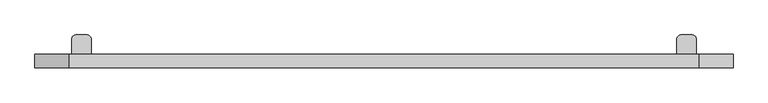
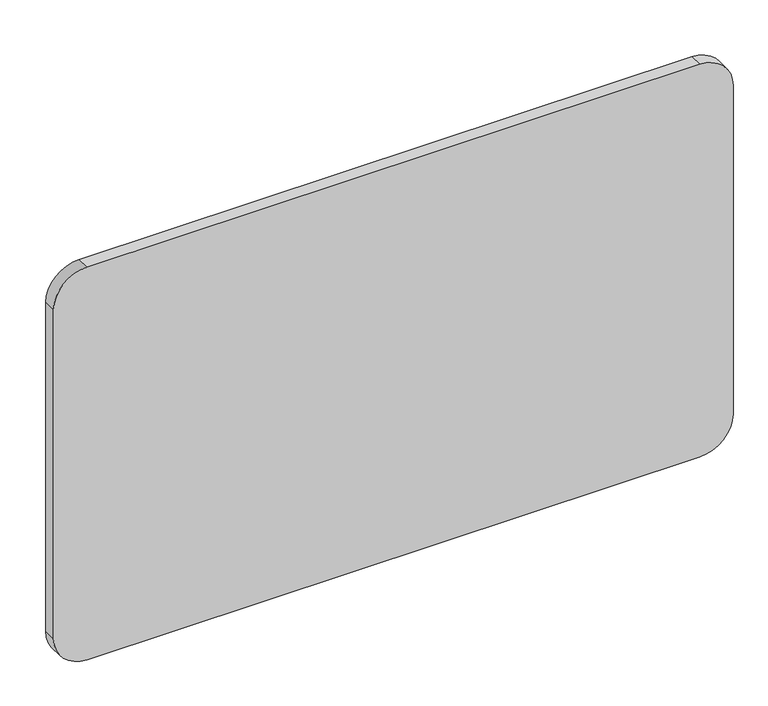
"""IFC4 building model written with IfcOpenShell, lengths in millimetres: furniture geometry."""

from ifc_helpers import new_model, si_unit, point, frame, frame_2d, origin, place, context, project, spatial, polyline, circle_curve, trimmed, segment, composite_curve, outline, extrude, source, transform, mapped, element, save
from ifc_brep_helpers import plane_surface, cylinder_surface, revolved_surface, advanced_brep


def furniture_f1be2f2b(model_context):
    return source(origin(), model_context, "Body", "SolidModel", [
        advanced_brep(
        [(1325.5425429, 47.5118173, 752.9985146), (1325.5425429, 44.45, 752.9985146), (1375.5425432, 44.45, 752.9985146), (1375.5425432, 47.5118173, 752.9985146), (1375.5425432, 47.5118173, 462.9546875), (1365.5425359, 47.5118173, 452.9984759), (1335.5425502, 47.5118173, 452.9984759), (1325.5425429, 47.5118173, 462.9984833), (1375.5425432, 44.45, 462.9546875), (1325.5425429, 44.45, 462.9546875), (1335.5425502, 44.45, 452.9984759), (1365.5425359, 44.45, 452.9984759)],
        [
            (0, 1),
            (1, 2),
            (2, 3),
            (3, 0),
            (3, 4),
            (4, 5, circle_curve(frame((1365.5425359, 47.5118173, 462.9984833), z_axis=(0.0, 1.0, 0.0), x_axis=(1.0, 0.0, 0.0)), 10.0000073)),
            (5, 6),
            (6, 7, circle_curve(frame((1335.5425502, 47.5118173, 462.9984833), z_axis=(0.0, 1.0, 0.0), x_axis=(1.0, 0.0, 0.0)), 10.0000073)),
            (7, 0),
            (2, 8),
            (8, 4),
            (1, 9),
            (9, 10, circle_curve(frame((1335.5425502, 44.45, 462.9984833), z_axis=(0.0, -1.0, 0.0), x_axis=(1.0, 0.0, 0.0)), 10.0000073)),
            (10, 11),
            (11, 8, circle_curve(frame((1365.5425359, 44.45, 462.9984833), z_axis=(0.0, -1.0, 0.0), x_axis=(1.0, 0.0, 0.0)), 10.0000073)),
            (7, 9),
            (6, 10),
            (5, 11),
        ],
        [
            plane_surface(frame((1325.5425429, 47.5118173, 752.9985146), z_axis=(0.0, 0.0, 1.0), x_axis=(0.0, -1.0, 0.0))),
            plane_surface(frame((1375.5425432, 47.5118173, 752.9985146), z_axis=(0.0, 1.0, 0.0), x_axis=(0.0, 0.0, -1.0))),
            plane_surface(frame((1375.5425432, 44.45, 752.9985146), z_axis=(1.0, 0.0, 0.0), x_axis=(0.0, 0.0, -1.0))),
            plane_surface(frame((1325.5425429, 44.45, 752.9985146), z_axis=(0.0, -1.0, 0.0), x_axis=(0.0, 0.0, -1.0))),
            plane_surface(frame((1325.5425429, 47.5118173, 752.9985146), z_axis=(-1.0, 0.0, 0.0), x_axis=(0.0, 0.0, -1.0))),
            cylinder_surface(frame((1335.5425502, 44.45, 462.9984833), z_axis=(0.0, 1.0, 0.0), x_axis=(1.0, 0.0, 0.0)), 10.0000073),
            plane_surface(frame((1365.5425359, 47.5118173, 452.9984759), z_axis=(0.0, 0.0, -1.0), x_axis=(0.0, -1.0, 0.0))),
            cylinder_surface(frame((1365.5425359, 44.45, 462.9984833), z_axis=(0.0, 1.0, 0.0), x_axis=(1.0, 0.0, 0.0)), 10.0000073),
        ],
        [
            (0, [[1, 2, 3, 4]]),
            (1, [[-4, 5, 6, 7, 8, 9]]),
            (2, [[-3, 10, 11, -5]]),
            (3, [[-2, 12, 13, 14, 15, -10]]),
            (4, [[-1, -9, 16, -12]]),
            (5, [[-8, 17, -13, -16]]),
            (6, [[-7, 18, -14, -17]]),
            (7, [[-6, -11, -15, -18]]),
        ],
    ),
        extrude(outline(composite_curve([segment(trimmed(circle_curve(frame_2d((1350.542543, 69.5118189)), 4.0000058), [point((1354.5425489, 69.5118189))], [point((1346.5425372, 69.5118189))], False, "CARTESIAN"), True, "CONTINUOUS"), segment(trimmed(circle_curve(frame_2d((1350.542543, 69.5118189)), 4.0000058), [point((1346.5425372, 69.5118189))], [point((1354.5425489, 69.5118189))], False, "CARTESIAN"), True, "CONTINUOUS")], self_intersect=False)), frame((0.0, 0.0, 689.9985083), z_axis=(0.0, 0.0, 1.0), x_axis=(1.0, 0.0, 0.0)), (0.0, 0.0, 1.0), 13.0000059),
        extrude(outline(composite_curve([segment(trimmed(circle_curve(frame_2d((1350.542543, 69.5118189)), 7.7753653), [point((1358.3179084, 69.5118189))], [point((1342.7671777, 69.5118189))], False, "CARTESIAN"), True, "CONTINUOUS"), segment(trimmed(circle_curve(frame_2d((1350.542543, 69.5118189)), 7.7753653), [point((1342.7671777, 69.5118189))], [point((1358.3179084, 69.5118189))], False, "CARTESIAN"), True, "CONTINUOUS")], self_intersect=False)), frame((0.0, 0.0, 702.9985142), z_axis=(0.0, 0.0, 1.0), x_axis=(1.0, 0.0, 0.0)), (0.0, 0.0, 1.0), 10.0000437),
        extrude(outline(composite_curve([segment(trimmed(circle_curve(frame_2d((1350.542543, 69.5118189)), 14.974039), [point((1365.5165821, 69.5118189))], [point((1335.568504, 69.5118189))], False, "CARTESIAN"), True, "CONTINUOUS"), segment(trimmed(circle_curve(frame_2d((1350.542543, 69.5118189)), 14.974039), [point((1335.568504, 69.5118189))], [point((1365.5165821, 69.5118189))], False, "CARTESIAN"), True, "CONTINUOUS")], self_intersect=False)), frame((0.0, 0.0, 718.7038782), z_axis=(0.0, 0.0, 1.0), x_axis=(1.0, 0.0, 0.0)), (0.0, 0.0, 1.0), 2.0950029),
        advanced_brep(
        [(1365.5165821, 69.5118189, 718.7038782), (1335.568504, 69.5118189, 718.7038782), (1354.5425489, 69.5118189, 715.9985201), (1346.5425372, 69.5118189, 715.9985201)],
        [
            (0, 1, circle_curve(frame((1350.542543, 69.5118189, 718.7038782), z_axis=(0.0, 0.0, 1.0), x_axis=(1.0, 0.0, 0.0)), 14.974039)),
            (1, 0, circle_curve(frame((1350.542543, 69.5118189, 718.7038782), z_axis=(0.0, 0.0, 1.0), x_axis=(-1.0, 0.0, 0.0)), 14.974039)),
            (2, 3, circle_curve(frame((1350.542543, 69.5118189, 715.9985201), z_axis=(0.0, 0.0, -1.0), x_axis=(-1.0, 0.0, 0.0)), 4.0000058)),
            (3, 2, circle_curve(frame((1350.542543, 69.5118189, 715.9985201), z_axis=(0.0, 0.0, -1.0), x_axis=(1.0, 0.0, 0.0)), 4.0000058)),
            (2, 0),
            (1, 3),
        ],
        [
            plane_surface(frame((1350.542543, 69.5118189, 718.7038782), z_axis=(0.0, 0.0, 1.0), x_axis=(0.0, 1.0, 0.0))),
            plane_surface(frame((1350.542543, 69.5118189, 715.9985201), z_axis=(0.0, 0.0, -1.0), x_axis=(0.0, 1.0, 0.0))),
            revolved_surface(polyline([(1354.5425488149297, 69.5118189, 715.9985201), (1365.5165821, 69.5118189, 718.7038782)]), (1350.542543, 69.5118189, 715.0124243), (0.0, 0.0, 1.0)),
            revolved_surface(polyline([(1346.5425372117832, 69.5118189, 715.9985201), (1335.568504, 69.5118189, 718.7038782)]), (1350.542543, 69.5118189, 715.0124243), (0.0, 0.0, 1.0)),
        ],
        [
            (0, [[1, 2]]),
            (1, [[3, 4]]),
            (2, [[-3, 5, -2, 6]]),
            (3, [[-4, -6, -1, -5]]),
        ],
    ),
        extrude(outline(composite_curve([segment(trimmed(circle_curve(frame_2d((1365.3401849, 84.3097802)), 10.2023583), [point((1365.3401849, 94.5121385))], [point((1375.5425432, 84.3097802))], False, "CARTESIAN"), True, "CONTINUOUS"), segment(polyline([(1375.5425432, 84.3097802), (1375.5425432, 47.5118173), (1325.5425429, 47.5118173), (1325.5425429, 84.324975)]), True, "CONTINUOUS"), segment(trimmed(circle_curve(frame_2d((1335.7297063, 84.324975)), 10.1871635), [point((1325.5425429, 84.324975))], [point((1335.7297063, 94.5121385))], False, "CARTESIAN"), True, "CONTINUOUS"), segment(polyline([(1335.7297063, 94.5121385), (1365.3401849, 94.5121385)]), True, "CONTINUOUS")], self_intersect=False)), frame((0.0, 0.0, 712.9985579), z_axis=(0.0, 0.0, 1.0), x_axis=(1.0, 0.0, 0.0)), (0.0, 0.0, 1.0), 2.9999622),
        extrude(outline(composite_curve([segment(trimmed(circle_curve(frame_2d((1365.3401849, 84.3094607)), 10.2023583), [point((1365.3401849, 94.5118191))], [point((1375.5425432, 84.3094607))], False, "CARTESIAN"), True, "CONTINUOUS"), segment(polyline([(1375.5425432, 84.3094607), (1375.5425432, 44.45), (1325.5425429, 44.45), (1325.5425429, 84.3246556)]), True, "CONTINUOUS"), segment(trimmed(circle_curve(frame_2d((1335.7297063, 84.3246556)), 10.1871635), [point((1325.5425429, 84.3246556))], [point((1335.7297063, 94.5118191))], False, "CARTESIAN"), True, "CONTINUOUS"), segment(polyline([(1335.7297063, 94.5118191), (1365.3401849, 94.5118191)]), True, "CONTINUOUS")], self_intersect=False)), frame((0.0, 0.0, 752.9985146), z_axis=(0.0, 0.0, 1.0), x_axis=(1.0, 0.0, 0.0)), (0.0, 0.0, 1.0), 2.9999622),
        advanced_brep(
        [(-184.5554351, 47.5118173, 462.9984833), (-194.5554424, 47.5118173, 452.9984759), (-224.5554281, 47.5118173, 452.9984759), (-234.5554355, 47.5118173, 462.9984833), (-234.5554355, 47.5118173, 712.9985579), (-184.5554351, 47.5118173, 712.9985579), (-234.5554355, 47.5118173, 752.9985146), (-184.5554351, 47.5118173, 752.9985146), (-184.5554351, 47.5118173, 715.9985201), (-234.5554355, 47.5118173, 715.9985201), (-234.5554355, 44.45, 462.9984833), (-224.5554281, 44.45, 452.9984759), (-194.5554424, 44.45, 452.9984759), (-184.5554351, 44.45, 462.9984833), (-184.5554351, 44.45, 755.9984768), (-234.5554355, 44.45, 755.9984768), (-234.5554355, 84.3094607, 755.9984768), (-234.5554355, 84.3094607, 752.9985146), (-234.5554355, 84.3097802, 715.9985201), (-234.5554355, 84.3097802, 712.9985579), (-184.5554351, 84.324975, 712.9985579), (-184.5554351, 84.324975, 715.9985201), (-184.5554351, 84.3246556, 752.9985146), (-184.5554351, 84.3246556, 755.9984768), (-224.3530771, 94.5118191, 755.9984768), (-194.7425986, 94.5118191, 755.9984768), (-224.3530771, 94.5118191, 752.9985146), (-194.7425986, 94.5118191, 752.9985146), (-224.3530771, 94.5121385, 715.9985201), (-194.7425986, 94.5121385, 715.9985201), (-205.5554294, 69.5118189, 715.9985201), (-213.5554411, 69.5118189, 715.9985201), (-224.3530771, 94.5121385, 712.9985579), (-194.7425986, 94.5121385, 712.9985579), (-217.3308006, 69.5118189, 712.9985579), (-201.7800699, 69.5118189, 712.9985579), (-224.5294743, 69.5118189, 720.7988811), (-194.5813962, 69.5118189, 720.7988811), (-224.5294743, 69.5118189, 718.7038782), (-194.5813962, 69.5118189, 718.7038782), (-217.3308006, 69.5118189, 702.9985142), (-201.7800699, 69.5118189, 702.9985142), (-213.5554411, 69.5118189, 702.9985142), (-205.5554294, 69.5118189, 702.9985142), (-213.5554411, 69.5118189, 689.9985083), (-205.5554294, 69.5118189, 689.9985083)],
        [
            (0, 1, circle_curve(frame((-194.5554424, 47.5118173, 462.9984833), z_axis=(0.0, 1.0, 0.0), x_axis=(-1.0, 0.0, 0.0)), 10.0000073)),
            (1, 2),
            (2, 3, circle_curve(frame((-224.5554281, 47.5118173, 462.9984833), z_axis=(0.0, 1.0, 0.0), x_axis=(-1.0, 0.0, 0.0)), 10.0000073)),
            (3, 4),
            (4, 5),
            (5, 0),
            (6, 7),
            (7, 8),
            (8, 9),
            (9, 6),
            (10, 11, circle_curve(frame((-224.5554281, 44.45, 462.9984833), z_axis=(0.0, -1.0, 0.0), x_axis=(-1.0, 0.0, 0.0)), 10.0000073)),
            (11, 12),
            (12, 13, circle_curve(frame((-194.5554424, 44.45, 462.9984833), z_axis=(0.0, -1.0, 0.0), x_axis=(-1.0, 0.0, 0.0)), 10.0000073)),
            (13, 14),
            (14, 15),
            (15, 10),
            (0, 13),
            (12, 1),
            (11, 2),
            (10, 3),
            (15, 16),
            (16, 17),
            (17, 6),
            (9, 18),
            (18, 19),
            (19, 4),
            (5, 20),
            (20, 21),
            (21, 8),
            (7, 22),
            (22, 23),
            (23, 14),
            (24, 16, circle_curve(frame((-224.3530771, 84.3094607, 755.9984768), z_axis=(0.0, 0.0, 1.0), x_axis=(1.0, 0.0, 0.0)), 10.2023583)),
            (23, 25, circle_curve(frame((-194.7425986, 84.3246556, 755.9984768), z_axis=(0.0, 0.0, 1.0), x_axis=(1.0, 0.0, 0.0)), 10.1871635)),
            (25, 24),
            (26, 27),
            (27, 22, circle_curve(frame((-194.7425986, 84.3246556, 752.9985146), z_axis=(0.0, 0.0, -1.0), x_axis=(1.0, 0.0, 0.0)), 10.1871635)),
            (17, 26, circle_curve(frame((-224.3530771, 84.3094607, 752.9985146), z_axis=(0.0, 0.0, -1.0), x_axis=(1.0, 0.0, 0.0)), 10.2023583)),
            (24, 26),
            (27, 25),
            (28, 18, circle_curve(frame((-224.3530771, 84.3097802, 715.9985201), z_axis=(0.0, 0.0, 1.0), x_axis=(1.0, 0.0, 0.0)), 10.2023583)),
            (21, 29, circle_curve(frame((-194.7425986, 84.324975, 715.9985201), z_axis=(0.0, 0.0, 1.0), x_axis=(1.0, 0.0, 0.0)), 10.1871635)),
            (29, 28),
            (30, 31, circle_curve(frame((-209.5554353, 69.5118189, 715.9985201), z_axis=(0.0, 0.0, -1.0), x_axis=(-1.0, 0.0, 0.0)), 4.0000058)),
            (31, 30, circle_curve(frame((-209.5554353, 69.5118189, 715.9985201), z_axis=(0.0, 0.0, -1.0), x_axis=(1.0, 0.0, 0.0)), 4.0000058)),
            (32, 33),
            (33, 20, circle_curve(frame((-194.7425986, 84.324975, 712.9985579), z_axis=(0.0, 0.0, -1.0), x_axis=(1.0, 0.0, 0.0)), 10.1871635)),
            (19, 32, circle_curve(frame((-224.3530771, 84.3097802, 712.9985579), z_axis=(0.0, 0.0, -1.0), x_axis=(1.0, 0.0, 0.0)), 10.2023583)),
            (34, 35, circle_curve(frame((-209.5554353, 69.5118189, 712.9985579), z_axis=(0.0, 0.0, 1.0), x_axis=(1.0, 0.0, 0.0)), 7.7753653)),
            (35, 34, circle_curve(frame((-209.5554353, 69.5118189, 712.9985579), z_axis=(0.0, 0.0, 1.0), x_axis=(1.0, 0.0, 0.0)), 7.7753653)),
            (28, 32),
            (33, 29),
            (36, 37, circle_curve(frame((-209.5554353, 69.5118189, 720.7988811), z_axis=(0.0, 0.0, 1.0), x_axis=(1.0, 0.0, 0.0)), 14.974039)),
            (37, 36, circle_curve(frame((-209.5554353, 69.5118189, 720.7988811), z_axis=(0.0, 0.0, 1.0), x_axis=(1.0, 0.0, 0.0)), 14.974039)),
            (36, 38),
            (38, 39, circle_curve(frame((-209.5554353, 69.5118189, 718.7038782), z_axis=(0.0, 0.0, 1.0), x_axis=(1.0, 0.0, 0.0)), 14.974039)),
            (39, 37),
            (39, 38, circle_curve(frame((-209.5554353, 69.5118189, 718.7038782), z_axis=(0.0, 0.0, 1.0), x_axis=(1.0, 0.0, 0.0)), 14.974039)),
            (40, 41, circle_curve(frame((-209.5554353, 69.5118189, 702.9985142), z_axis=(0.0, 0.0, -1.0), x_axis=(1.0, 0.0, 0.0)), 7.7753653)),
            (41, 40, circle_curve(frame((-209.5554353, 69.5118189, 702.9985142), z_axis=(0.0, 0.0, -1.0), x_axis=(1.0, 0.0, 0.0)), 7.7753653)),
            (42, 43, circle_curve(frame((-209.5554353, 69.5118189, 702.9985142), z_axis=(0.0, 0.0, 1.0), x_axis=(1.0, 0.0, 0.0)), 4.0000058)),
            (43, 42, circle_curve(frame((-209.5554353, 69.5118189, 702.9985142), z_axis=(0.0, 0.0, 1.0), x_axis=(1.0, 0.0, 0.0)), 4.0000058)),
            (41, 35),
            (34, 40),
            (44, 45, circle_curve(frame((-209.5554353, 69.5118189, 689.9985083), z_axis=(0.0, 0.0, -1.0), x_axis=(1.0, 0.0, 0.0)), 4.0000058)),
            (45, 44, circle_curve(frame((-209.5554353, 69.5118189, 689.9985083), z_axis=(0.0, 0.0, -1.0), x_axis=(1.0, 0.0, 0.0)), 4.0000058)),
            (45, 43),
            (42, 44),
            (30, 39),
            (38, 31),
        ],
        [
            plane_surface(frame((-184.5554351, 47.5118173, 462.9984833), z_axis=(0.0, 1.0, 0.0), x_axis=(1.0, 0.0, 0.0))),
            plane_surface(frame((-184.5554351, 44.45, 462.9984833), z_axis=(0.0, -1.0, 0.0), x_axis=(-1.0, 0.0, 0.0))),
            cylinder_surface(frame((-194.5554424, 44.45, 462.9984833), z_axis=(0.0, 1.0, 0.0), x_axis=(-1.0, 0.0, 0.0)), 10.0000073),
            plane_surface(frame((-194.5554424, 47.5118173, 452.9984759), z_axis=(0.0, 0.0, -1.0), x_axis=(0.0, -1.0, 0.0))),
            cylinder_surface(frame((-224.5554281, 44.45, 462.9984833), z_axis=(0.0, 1.0, 0.0), x_axis=(-1.0, 0.0, 0.0)), 10.0000073),
            plane_surface(frame((-234.5554355, 47.5118173, 752.9985146), z_axis=(-1.0, 0.0, 0.0), x_axis=(0.0, 0.0, -1.0))),
            plane_surface(frame((-184.5554351, 44.45, 752.9985146), z_axis=(1.0, 0.0, 0.0), x_axis=(0.0, 0.0, -1.0))),
            plane_surface(frame((-214.1507188, 84.3094607, 755.9984768), z_axis=(0.0, 0.0, 1.0), x_axis=(0.0, 1.0, 0.0))),
            plane_surface(frame((-214.1507188, 84.3094607, 752.9985146), z_axis=(0.0, 0.0, -1.0), x_axis=(0.0, -1.0, 0.0))),
            cylinder_surface(frame((-224.3530771, 84.3094607, 752.9985146), z_axis=(0.0, 0.0, 1.0), x_axis=(1.0, 0.0, 0.0)), 10.2023583),
            cylinder_surface(frame((-194.7425986, 84.3246556, 752.9985146), z_axis=(0.0, 0.0, 1.0), x_axis=(1.0, 0.0, 0.0)), 10.1871635),
            plane_surface(frame((-194.7425986, 94.5118191, 755.9984768), z_axis=(0.0, 1.0, 0.0), x_axis=(0.0, 0.0, -1.0))),
            plane_surface(frame((-214.1507188, 84.3097802, 715.9985201), z_axis=(0.0, 0.0, 1.0), x_axis=(0.0, 1.0, 0.0))),
            plane_surface(frame((-214.1507188, 84.3097802, 712.9985579), z_axis=(0.0, 0.0, -1.0), x_axis=(0.0, -1.0, 0.0))),
            cylinder_surface(frame((-224.3530771, 84.3097802, 712.9985579), z_axis=(0.0, 0.0, 1.0), x_axis=(1.0, 0.0, 0.0)), 10.2023583),
            cylinder_surface(frame((-194.7425986, 84.324975, 712.9985579), z_axis=(0.0, 0.0, 1.0), x_axis=(1.0, 0.0, 0.0)), 10.1871635),
            plane_surface(frame((-194.7425986, 94.5121385, 715.9985201), z_axis=(0.0, 1.0, 0.0), x_axis=(0.0, 0.0, -1.0))),
            plane_surface(frame((-194.5813962, 69.5118189, 720.7988811), z_axis=(0.0, 0.0, 1.0), x_axis=(0.0, 1.0, 0.0))),
            cylinder_surface(frame((-209.5554353, 69.5118189, 718.7038782), z_axis=(0.0, 0.0, 1.0), x_axis=(1.0, 0.0, 0.0)), 14.974039),
            plane_surface(frame((-201.7800699, 69.5118189, 702.9985142), z_axis=(0.0, 0.0, -1.0), x_axis=(0.0, -1.0, 0.0))),
            cylinder_surface(frame((-209.5554353, 69.5118189, 702.9985142), z_axis=(0.0, 0.0, 1.0), x_axis=(1.0, 0.0, 0.0)), 7.7753653),
            plane_surface(frame((-205.5554294, 69.5118189, 689.9985083), z_axis=(0.0, 0.0, -1.0), x_axis=(0.0, -1.0, 0.0))),
            cylinder_surface(frame((-209.5554353, 69.5118189, 689.9985083), z_axis=(0.0, 0.0, 1.0), x_axis=(1.0, 0.0, 0.0)), 4.0000058),
            revolved_surface(polyline([(-205.55542948507028, 69.5118189, 715.9985201), (-194.5813962, 69.5118189, 718.7038782)]), (-209.5554353, 69.5118189, 715.0124243), (0.0, 0.0, 1.0)),
        ],
        [
            (0, [[1, 2, 3, 4, 5, 6]]),
            (0, [[7, 8, 9, 10]]),
            (1, [[11, 12, 13, 14, 15, 16]]),
            (2, [[-1, 17, -13, 18]]),
            (3, [[-2, -18, -12, 19]]),
            (4, [[-3, -19, -11, 20]]),
            (5, [[-20, -16, 21, 22, 23, -10, 24, 25, 26, -4]]),
            (6, [[-17, -6, 27, 28, 29, -8, 30, 31, 32, -14]]),
            (7, [[33, -21, -15, -32, 34, 35]]),
            (8, [[36, 37, -30, -7, -23, 38]]),
            (9, [[-33, 39, -38, -22]]),
            (10, [[-34, -31, -37, 40]]),
            (11, [[-35, -40, -36, -39]]),
            (12, [[41, -24, -9, -29, 42, 43], [44, 45]]),
            (13, [[46, 47, -27, -5, -26, 48], [49, 50]]),
            (14, [[-41, 51, -48, -25]]),
            (15, [[-42, -28, -47, 52]]),
            (16, [[-43, -52, -46, -51]]),
            (17, [[53, 54]]),
            (18, [[-53, 55, 56, 57]]),
            (18, [[-54, -57, 58, -55]]),
            (19, [[59, 60], [61, 62]]),
            (20, [[-60, 63, -49, 64]]),
            (20, [[-59, -64, -50, -63]]),
            (21, [[65, 66]]),
            (22, [[-66, 67, -61, 68]]),
            (22, [[-65, -68, -62, -67]]),
            (23, [[69, -56, 70, -44]]),
            (23, [[-69, -45, -70, -58]]),
        ],
    ),
        extrude(outline(composite_curve([segment(trimmed(circle_curve(frame_2d((1115.7148438, 1381.6564445)), 88.9), [point((1115.7148438, 1470.5564445))], [point((1204.6148438, 1381.6564445))], False, "CARTESIAN"), True, "CONTINUOUS"), segment(polyline([(1204.6148438, 1381.6564445), (1204.6148437, -240.6693367)]), True, "CONTINUOUS"), segment(trimmed(circle_curve(frame_2d((1115.7148438, -240.6693367)), 88.9), [point((1204.6148437, -240.6693367))], [point((1115.7148438, -329.5693367))], False, "CARTESIAN"), True, "CONTINUOUS"), segment(polyline([(1115.7148438, -329.5693367), (193.675, -329.5693367)]), True, "CONTINUOUS"), segment(trimmed(circle_curve(frame_2d((193.675, -240.6693367)), 88.9), [point((193.675, -329.5693367))], [point((104.775, -240.6693367))], False, "CARTESIAN"), True, "CONTINUOUS"), segment(polyline([(104.775, -240.6693367), (104.775, 1381.6564445)]), True, "CONTINUOUS"), segment(trimmed(circle_curve(frame_2d((193.675, 1381.6564445)), 88.9), [point((104.775, 1381.6564445))], [point((193.675, 1470.5564445))], False, "CARTESIAN"), True, "CONTINUOUS"), segment(polyline([(193.675, 1470.5564445), (1115.7148438, 1470.5564445)]), True, "CONTINUOUS")], self_intersect=False)), frame((0.0, 9.4257812, 0.0), z_axis=(0.0, 1.0, 0.0), x_axis=(0.0, 0.0, 1.0)), (0.0, 0.0, 1.0), 35.0242187),
    ])


if __name__ == "__main__":
    model = new_model("IFC4")
    model_context = context("Model", 3, world=origin())
    ifc_project = project(units=[si_unit("LENGTHUNIT", "METRE", prefix="MILLI")], contexts=[model_context])
    site = spatial("IfcSite", under=ifc_project)
    building = spatial("IfcBuilding", under=site)
    placement = place(None, origin())
    furniture_shape = furniture_f1be2f2b(model_context)
    element("IfcFurniture", 1, at=placement, inside=building, context=model_context, shape_type="MappedRepresentation", body=[
        mapped(furniture_shape, transform((0.0, 0.0, 0.0), x_axis=(1.0, 0.0, 0.0), y_axis=(0.0, 1.0, 0.0), z_axis=(0.0, 0.0, 1.0))),
    ])
    save(model, "model.ifc")
